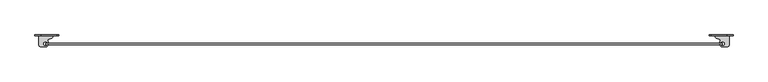
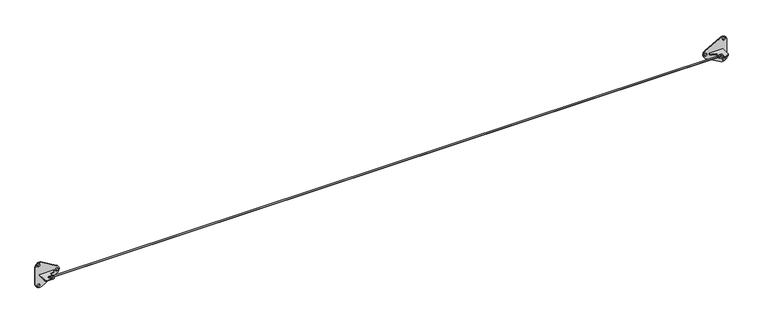
"""IFC4 building model written with IfcOpenShell, lengths in millimetres: proxy geometry."""

from ifc_helpers import new_model, si_unit, point, frame, frame_2d, origin, place, context, project, spatial, polyline, circle_curve, trimmed, segment, composite_curve, outline, extrude, source, transform, mapped, element, save
from ifc_brep_helpers import plane_surface, extruded_surface, advanced_brep


def specialty_equipment_2a3f0a1c(model_context):
    return source(origin(), model_context, "Body", "SolidModel", [
        extrude(outline(composite_curve([segment(polyline([(3993.0336425, 86.5), (4077.0336425, 86.5), (4077.0336425, 35.5)]), True, "CONTINUOUS"), segment(trimmed(circle_curve(frame_2d((4064.0336425, 35.5)), 13.0), [point((4077.0336425, 35.5))], [point((4064.0336425, 22.5))], False, "CARTESIAN"), True, "CONTINUOUS"), segment(polyline([(4064.0336425, 22.5), (4037.0336425, 22.5)]), True, "CONTINUOUS"), segment(trimmed(circle_curve(frame_2d((4037.0336425, 40.5)), 18.0), [point((4037.0336425, 22.5))], [point((4023.1216341, 51.9217347))], False, "CARTESIAN"), True, "CONTINUOUS"), segment(trimmed(circle_curve(frame_2d((4015.3927406, 58.2671428)), 10.0), [point((4023.1216341, 51.9217347))], [point((4018.9513727, 67.6125234))], True, "CARTESIAN"), True, "CONTINUOUS"), segment(polyline([(4018.9513727, 67.6125234), (4001.6889734, 74.1858809)]), True, "CONTINUOUS"), segment(trimmed(circle_curve(frame_2d((4006.4719936, 86.7466465)), 13.4406143), [point((4001.6889734, 74.1858809))], [point((3993.0336425, 86.5))], False, "CARTESIAN"), True, "CONTINUOUS")], self_intersect=False), holes=[composite_curve([segment(trimmed(circle_curve(frame_2d((4033.1118023, 40.0756978)), 8.0), [point((4033.1118023, 48.0756978))], [point((4033.1118023, 32.0756978))], True, "CARTESIAN"), True, "CONTINUOUS"), segment(polyline([(4033.1118023, 32.0756978), (4041.1118023, 32.0756978)]), True, "CONTINUOUS"), segment(trimmed(circle_curve(frame_2d((4041.1118023, 40.0756978)), 8.0), [point((4041.1118023, 32.0756978))], [point((4041.1118023, 48.0756978))], True, "CARTESIAN"), True, "CONTINUOUS"), segment(polyline([(4041.1118023, 48.0756978), (4033.1118023, 48.0756978)]), True, "CONTINUOUS")], self_intersect=False)]), frame((0.0, 0.0, 2197.0), z_axis=(0.0, 0.0, 1.0), x_axis=(1.0, 0.0, 0.0)), (0.0, 0.0, 1.0), 6.0),
        extrude(outline(composite_curve([segment(polyline([(2146.9543472, 4100.0), (2252.3205602, 4100.0)]), True, "CONTINUOUS"), segment(trimmed(circle_curve(frame_2d((2252.3205602, 4074.8)), 25.2), [point((2252.3205602, 4100.0))], [point((2274.1115681, 4062.1433033))], False, "CARTESIAN"), True, "CONTINUOUS"), segment(polyline([(2274.1115681, 4062.1433033), (2222.263764, 3972.8770487)]), True, "CONTINUOUS"), segment(trimmed(circle_curve(frame_2d((2199.932417, 3985.8475862)), 25.8248698), [point((2222.263764, 3972.8770487))], [point((2177.5339286, 3972.9933411))], False, "CARTESIAN"), True, "CONTINUOUS"), segment(polyline([(2177.5339286, 3972.9933411), (2125.7049481, 4063.3052046)]), True, "CONTINUOUS"), segment(trimmed(circle_curve(frame_2d((2146.9543472, 4075.5)), 24.5), [point((2125.7049481, 4063.3052046))], [point((2146.9543472, 4100.0))], False, "CARTESIAN"), True, "CONTINUOUS")], self_intersect=False), holes=[composite_curve([segment(trimmed(circle_curve(frame_2d((2200.0, 3973.7499076)), 8.0), [point((2192.0, 3973.7499076))], [point((2208.0, 3973.7499076))], True, "CARTESIAN"), True, "CONTINUOUS"), segment(trimmed(circle_curve(frame_2d((2200.0, 3973.7499076)), 8.0), [point((2208.0, 3973.7499076))], [point((2192.0, 3973.7499076))], True, "CARTESIAN"), True, "CONTINUOUS")], self_intersect=False), composite_curve([segment(trimmed(circle_curve(frame_2d((2263.2834836, 4082.7049474)), 8.0), [point((2255.2834836, 4082.7049474))], [point((2271.2834836, 4082.7049474))], True, "CARTESIAN"), True, "CONTINUOUS"), segment(trimmed(circle_curve(frame_2d((2263.2834836, 4082.7049474)), 8.0), [point((2271.2834836, 4082.7049474))], [point((2255.2834836, 4082.7049474))], True, "CARTESIAN"), True, "CONTINUOUS")], self_intersect=False), composite_curve([segment(trimmed(circle_curve(frame_2d((2136.7165164, 4082.7049474)), 8.0), [point((2128.7165164, 4082.7049474))], [point((2144.7165164, 4082.7049474))], True, "CARTESIAN"), True, "CONTINUOUS"), segment(trimmed(circle_curve(frame_2d((2136.7165164, 4082.7049474)), 8.0), [point((2144.7165164, 4082.7049474))], [point((2128.7165164, 4082.7049474))], True, "CARTESIAN"), True, "CONTINUOUS")], self_intersect=False)]), frame((0.0, 86.5, 0.0), z_axis=(0.0, 1.0, 0.0), x_axis=(0.0, 0.0, 1.0)), (0.0, 0.0, 1.0), 6.0),
        extrude(outline(composite_curve([segment(trimmed(circle_curve(frame_2d((93.5280064, 86.7466465)), 13.4406143), [point((106.9663575, 86.5))], [point((98.3110266, 74.1858809))], False, "CARTESIAN"), True, "CONTINUOUS"), segment(polyline([(98.3110266, 74.1858809), (81.0486273, 67.6125234)]), True, "CONTINUOUS"), segment(trimmed(circle_curve(frame_2d((84.6072594, 58.2671428)), 10.0), [point((81.0486273, 67.6125234))], [point((76.8783659, 51.9217347))], True, "CARTESIAN"), True, "CONTINUOUS"), segment(trimmed(circle_curve(frame_2d((62.9663575, 40.5)), 18.0), [point((76.8783659, 51.9217347))], [point((62.9663575, 22.5))], False, "CARTESIAN"), True, "CONTINUOUS"), segment(polyline([(62.9663575, 22.5), (35.9663575, 22.5)]), True, "CONTINUOUS"), segment(trimmed(circle_curve(frame_2d((35.9663575, 35.5)), 13.0), [point((35.9663575, 22.5))], [point((22.9663575, 35.5))], False, "CARTESIAN"), True, "CONTINUOUS"), segment(polyline([(22.9663575, 35.5), (22.9663575, 86.5), (106.9663575, 86.5)]), True, "CONTINUOUS")], self_intersect=False), holes=[composite_curve([segment(polyline([(66.8881977, 48.0756978), (58.8881977, 48.0756978)]), True, "CONTINUOUS"), segment(trimmed(circle_curve(frame_2d((58.8881977, 40.0756978)), 8.0), [point((58.8881977, 48.0756978))], [point((58.8881977, 32.0756978))], True, "CARTESIAN"), True, "CONTINUOUS"), segment(polyline([(58.8881977, 32.0756978), (66.8881977, 32.0756978)]), True, "CONTINUOUS"), segment(trimmed(circle_curve(frame_2d((66.8881977, 40.0756978)), 8.0), [point((66.8881977, 32.0756978))], [point((66.8881977, 48.0756978))], True, "CARTESIAN"), True, "CONTINUOUS")], self_intersect=False)]), frame((0.0, 0.0, 2197.0), z_axis=(0.0, 0.0, 1.0), x_axis=(1.0, 0.0, 0.0)), (0.0, 0.0, 1.0), 6.0),
        extrude(outline(composite_curve([segment(trimmed(circle_curve(frame_2d((2146.9543472, 24.5)), 24.5), [point((2146.9543472, 0.0))], [point((2125.7049481, 36.6947954))], False, "CARTESIAN"), True, "CONTINUOUS"), segment(polyline([(2125.7049481, 36.6947954), (2177.5339286, 127.0066589)]), True, "CONTINUOUS"), segment(trimmed(circle_curve(frame_2d((2199.932417, 114.1524138)), 25.8248698), [point((2177.5339286, 127.0066589))], [point((2222.263764, 127.1229513))], False, "CARTESIAN"), True, "CONTINUOUS"), segment(polyline([(2222.263764, 127.1229513), (2274.1115681, 37.8566967)]), True, "CONTINUOUS"), segment(trimmed(circle_curve(frame_2d((2252.3205602, 25.2)), 25.2), [point((2274.1115681, 37.8566967))], [point((2252.3205602, 0.0))], False, "CARTESIAN"), True, "CONTINUOUS"), segment(polyline([(2252.3205602, 0.0), (2146.9543472, 0.0)]), True, "CONTINUOUS")], self_intersect=False), holes=[composite_curve([segment(trimmed(circle_curve(frame_2d((2200.0, 126.2500924)), 8.0), [point((2192.0, 126.2500924))], [point((2208.0, 126.2500924))], True, "CARTESIAN"), True, "CONTINUOUS"), segment(trimmed(circle_curve(frame_2d((2200.0, 126.2500924)), 8.0), [point((2208.0, 126.2500924))], [point((2192.0, 126.2500924))], True, "CARTESIAN"), True, "CONTINUOUS")], self_intersect=False), composite_curve([segment(trimmed(circle_curve(frame_2d((2263.2834836, 17.2950526)), 8.0), [point((2255.2834836, 17.2950526))], [point((2271.2834836, 17.2950526))], True, "CARTESIAN"), True, "CONTINUOUS"), segment(trimmed(circle_curve(frame_2d((2263.2834836, 17.2950526)), 8.0), [point((2271.2834836, 17.2950526))], [point((2255.2834836, 17.2950526))], True, "CARTESIAN"), True, "CONTINUOUS")], self_intersect=False), composite_curve([segment(trimmed(circle_curve(frame_2d((2136.7165164, 17.2950526)), 8.0), [point((2128.7165164, 17.2950526))], [point((2144.7165164, 17.2950526))], True, "CARTESIAN"), True, "CONTINUOUS"), segment(trimmed(circle_curve(frame_2d((2136.7165164, 17.2950526)), 8.0), [point((2144.7165164, 17.2950526))], [point((2128.7165164, 17.2950526))], True, "CARTESIAN"), True, "CONTINUOUS")], self_intersect=False)]), frame((0.0, 86.5, 0.0), z_axis=(0.0, 1.0, 0.0), x_axis=(0.0, 0.0, 1.0)), (0.0, 0.0, 1.0), 6.0),
        advanced_brep(
        [(4036.2, 36.0999984, 2200.0), (4036.2, 44.0999984, 2200.0), (63.8, 36.1, 2200.0), (63.8, 44.1, 2200.0)],
        [
            (0, 1, circle_curve(frame((4036.2, 40.0999984, 2200.0), z_axis=(1.0, 0.0, 0.0), x_axis=(0.0, 1.0, 0.0)), 4.0)),
            (1, 0, circle_curve(frame((4036.2, 40.0999984, 2200.0), z_axis=(1.0, 0.0, 0.0), x_axis=(0.0, 1.0, 0.0)), 4.0)),
            (2, 3, circle_curve(frame((63.8, 40.1, 2200.0), z_axis=(-1.0, 0.0, 0.0), x_axis=(0.0, 1.0, 0.0)), 4.0)),
            (3, 2, circle_curve(frame((63.8, 40.1, 2200.0), z_axis=(-1.0, 0.0, 0.0), x_axis=(0.0, 1.0, 0.0)), 4.0)),
            (3, 1),
            (0, 2),
        ],
        [
            plane_surface(frame((4036.2, 40.0999984, 2200.0), z_axis=(1.0, 0.0, 0.0), x_axis=(0.0, 0.0, -1.0))),
            plane_surface(frame((63.8, 40.1, 2200.0), z_axis=(-1.0, 0.0, 0.0), x_axis=(0.0, 0.0, -1.0))),
            extruded_surface(trimmed(circle_curve(frame((63.8, 40.1, 2200.0), z_axis=(1.0, 0.0, 0.0), x_axis=(0.0, 1.0, 0.0)), 4.0), [point((63.8, 36.1, 2200.0))], [point((63.8, 44.1, 2200.0))], True, "CARTESIAN"), (3972.3999999999996, -1.6000000044869012e-06, 0.0), 3972.3999999999996),
            extruded_surface(trimmed(circle_curve(frame((63.8, 40.1, 2200.0), z_axis=(1.0, 0.0, 0.0), x_axis=(0.0, 1.0, 0.0)), 4.0), [point((63.8, 44.1, 2200.0))], [point((63.8, 36.1, 2200.0))], True, "CARTESIAN"), (3972.3999999999996, -1.6000000044869012e-06, 0.0), 3972.3999999999996),
        ],
        [
            (0, [[1, 2]]),
            (1, [[3, 4]]),
            (2, [[-4, 5, -1, 6]]),
            (3, [[-3, -6, -2, -5]]),
        ],
    ),
    ])


if __name__ == "__main__":
    model = new_model("IFC4")
    model_context = context("Model", 3, world=origin())
    ifc_project = project(units=[si_unit("LENGTHUNIT", "METRE", prefix="MILLI")], contexts=[model_context])
    site = spatial("IfcSite", under=ifc_project)
    building = spatial("IfcBuilding", under=site)
    placement = place(None, origin())
    specialty_equipment_shape = specialty_equipment_2a3f0a1c(model_context)
    element("IfcBuildingElementProxy", 1, Name="Specialty Equipment", at=placement, inside=building, context=model_context, shape_type="MappedRepresentation", body=[
        mapped(specialty_equipment_shape, transform((0.0, 0.0, 0.0), x_axis=(1.0, 0.0, 0.0), y_axis=(0.0, 1.0, 0.0), z_axis=(0.0, 0.0, 1.0))),
    ])
    save(model, "model.ifc")
